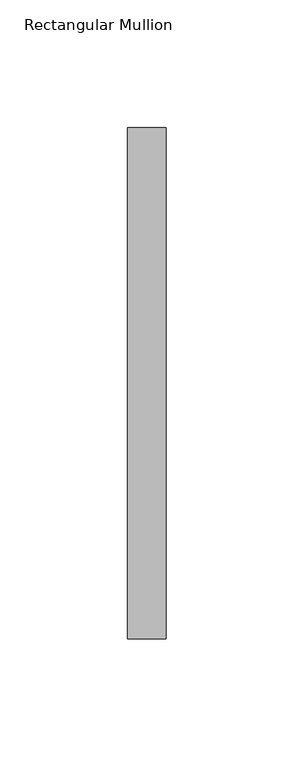
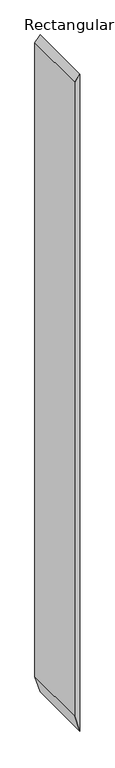
"""IFC4 building model written with IfcOpenShell, lengths in millimetres: member geometry, Rectangular Mullion."""

import ifcopenshell
import ifcopenshell.guid

model = None  # the IFC model being written
_history = None  # IfcOwnerHistory: only IFC2X3 demands one
_inside = {}  # id of a spatial element -> (the spatial element, [elements in it])
_under = {}  # id of a project, library or spatial element -> (it, [spatial elements below it])
_declared = {}  # id of a project -> (the project, [libraries it declares])
_typed = {}  # id of a type object -> (the type object, [elements of that type])
_made_of = {}  # id of a material, layer set ... -> (it, [elements and type objects made of it])


def new_model(schema):
    """Start an empty IFC model of exactly this schema.

    Asked for "IFC4X3", IfcOpenShell would pick the latest addendum, in which some entities
    have other attributes; the version numbers below select the first issue.
    IFC2X3 requires an IfcOwnerHistory on every rooted entity: one is made here for all.
    """
    global model, _history
    if schema == "IFC4X3":
        model = ifcopenshell.file(schema_version=(4, 3, 0, 0))
    else:
        model = ifcopenshell.file(schema=schema)
    _inside.clear()
    _under.clear()
    _declared.clear()
    _typed.clear()
    _made_of.clear()
    _history = None
    if model.schema == "IFC2X3":
        org = make("IfcOrganization", Name="unknown")
        user = make(
            "IfcPersonAndOrganization",
            ThePerson=make("IfcPerson", FamilyName="unknown"),
            TheOrganization=org,
        )
        app = make(
            "IfcApplication",
            ApplicationDeveloper=org,
            Version="unknown",
            ApplicationFullName="unknown",
            ApplicationIdentifier="unknown",
        )
        _history = make(
            "IfcOwnerHistory",
            OwningUser=user,
            OwningApplication=app,
            ChangeAction="ADDED",
            CreationDate=0,
        )
    return model


def make(cls, **values):
    """One entity of the class cls with the attributes given. An attribute that is None is left unset."""
    return model.create_entity(
        cls, **{name: value for name, value in values.items() if value is not None}
    )


def rooted(cls, **values):
    """An entity with a GlobalId (a new one), such as an element, a storey or a relation."""
    return make(cls, GlobalId=ifcopenshell.guid.new(), OwnerHistory=_history, **values)


def si_unit(unit_type, name, prefix=None):
    """IfcSIUnit, for example si_unit("LENGTHUNIT", "METRE", prefix="MILLI")."""
    return make("IfcSIUnit", UnitType=unit_type, Prefix=prefix, Name=name)


def assignment(units):
    """IfcUnitAssignment: the units of a project."""
    return None if units is None else make("IfcUnitAssignment", Units=units)


def point(xyz):
    """IfcCartesianPoint."""
    return None if xyz is None else make("IfcCartesianPoint", Coordinates=xyz)


def direction(xyz):
    """IfcDirection."""
    return None if xyz is None else make("IfcDirection", DirectionRatios=xyz)


def frame(location, z_axis=None, x_axis=None):
    """IfcAxis2Placement3D, a coordinate frame: its origin and axes. An axis left out is left unset."""
    return make(
        "IfcAxis2Placement3D",
        Location=point(location),
        Axis=direction(z_axis),
        RefDirection=direction(x_axis),
    )


def origin():
    """The frame at (0, 0, 0) with its axes left unset."""
    return frame((0.0, 0.0, 0.0))


def place(relative_to, where):
    """IfcLocalPlacement: puts the frame where relative to a parent placement (None: the world)."""
    return make(
        "IfcLocalPlacement", PlacementRelTo=relative_to, RelativePlacement=where
    )


def context(
    kind, dimensions, precision=None, world=None, true_north=None, identifier=None
):
    """IfcGeometricRepresentationContext, for example the 3D "Model" context."""
    return make(
        "IfcGeometricRepresentationContext",
        ContextIdentifier=identifier,
        ContextType=kind,
        CoordinateSpaceDimension=dimensions,
        Precision=precision,
        WorldCoordinateSystem=world,
        TrueNorth=true_north,
    )


def project(units=None, contexts=None):
    """IfcProject with its units and contexts."""
    return rooted(
        "IfcProject",
        Name="project",
        RepresentationContexts=contexts,
        UnitsInContext=assignment(units),
    )


def spatial(cls, under=None, at=None, **own):
    """A site, building, storey or space (cls), placed at a placement, below another one or the project."""
    s = rooted(cls, ObjectPlacement=at, **own)
    if under is not None:
        _under.setdefault(under.id(), (under, []))[1].append(s)
    return s


def polyline(points):
    """IfcPolyline through the points."""
    return make("IfcPolyline", Points=[point(p) for p in points])


def outline(outer, holes=None, kind="AREA"):
    """IfcArbitraryClosedProfileDef: a profile drawn as a closed curve; with holes, ...WithVoids."""
    if holes is None:
        return make("IfcArbitraryClosedProfileDef", ProfileType=kind, OuterCurve=outer)
    return make(
        "IfcArbitraryProfileDefWithVoids",
        ProfileType=kind,
        OuterCurve=outer,
        InnerCurves=holes,
    )


def extrude(swept, where, along, depth):
    """IfcExtrudedAreaSolid: the profile swept, set in the frame where, extruded along a direction by depth."""
    return make(
        "IfcExtrudedAreaSolid",
        SweptArea=swept,
        Position=where,
        ExtrudedDirection=direction(along),
        Depth=depth,
    )


def shape(context_of_items, identifier, shape_type, items):
    """IfcShapeRepresentation: the items that make up one representation, for example the "Body"."""
    return make(
        "IfcShapeRepresentation",
        ContextOfItems=context_of_items,
        RepresentationIdentifier=identifier,
        RepresentationType=shape_type,
        Items=items,
    )


def source(mapping_origin, context_of_items, identifier, shape_type, items):
    """IfcRepresentationMap: a shape defined once, which mapped items show again and again."""
    return make(
        "IfcRepresentationMap",
        MappingOrigin=mapping_origin,
        MappedRepresentation=shape(context_of_items, identifier, shape_type, items),
    )


def transform(
    local_origin,
    x_axis=None,
    y_axis=None,
    z_axis=None,
    scale=None,
    scale2=None,
    scale3=None,
    uniform=True,
):
    """IfcCartesianTransformationOperator3D, or its non-uniform kind. x_axis, y_axis, z_axis: its Axis1, 2, 3."""
    if uniform:
        return make(
            "IfcCartesianTransformationOperator3D",
            Axis1=direction(x_axis),
            Axis2=direction(y_axis),
            LocalOrigin=point(local_origin),
            Scale=scale,
            Axis3=direction(z_axis),
        )
    return make(
        "IfcCartesianTransformationOperator3DnonUniform",
        Axis1=direction(x_axis),
        Axis2=direction(y_axis),
        LocalOrigin=point(local_origin),
        Scale=scale,
        Axis3=direction(z_axis),
        Scale2=scale2,
        Scale3=scale3,
    )


def mapped(mapping_source, mapping_target):
    """IfcMappedItem: shows the shape of a source again, moved by a transform."""
    return make(
        "IfcMappedItem", MappingSource=mapping_source, MappingTarget=mapping_target
    )


def made_of(thing, what):
    """Note that an element or type object is made of a material, layer set ...; save() writes the relation."""
    if what is not None:
        _made_of.setdefault(what.id(), (what, []))[1].append(thing)
    return thing


def element(
    cls,
    number,
    at=None,
    inside=None,
    cuts=None,
    type_object=None,
    material=None,
    context=None,
    identifier="Body",
    shape_type=None,
    held_by="IfcProductDefinitionShape",
    body=None,
    shapes=None,
    **own,
):
    """One element of the class cls, such as IfcWall. Its Tag is "e" and its number.

    at: its placement. inside: the storey or other place that contains it. cuts: it is an
    opening in that element (IfcRelVoidsElement). A single representation is given by context,
    identifier, shape_type and body (its items); several are given by shapes. held_by: the class
    of the entity that holds the representations. save() writes the other relations.
    """
    e = rooted(cls, Tag="e%d" % number, ObjectPlacement=at, **own)
    if body is not None:
        shapes = [shape(context, identifier, shape_type, body)]
    if shapes is not None:
        e.Representation = make(held_by, Representations=shapes)
    if inside is not None:
        _inside.setdefault(inside.id(), (inside, []))[1].append(e)
    if cuts is not None:
        rooted(
            "IfcRelVoidsElement", RelatingBuildingElement=cuts, RelatedOpeningElement=e
        )
    if type_object is not None:
        _typed.setdefault(type_object.id(), (type_object, []))[1].append(e)
    return made_of(e, material)


def aggregate(whole, parts):
    """IfcRelAggregates: a whole, such as a stair, and the parts it consists of."""
    return rooted("IfcRelAggregates", RelatingObject=whole, RelatedObjects=parts)


def save(model, path):
    """Write the relations noted so far, then the file.

    IfcRelAggregates (storeys below a building ...), IfcRelContainedInSpatialStructure (elements
    in a storey), IfcRelDefinesByType, IfcRelAssociatesMaterial and IfcRelDeclares: one each for
    every whole, place, type object, material and project.
    """
    for whole, parts in _under.values():
        aggregate(whole, parts)
    for where, things in _inside.values():
        rooted(
            "IfcRelContainedInSpatialStructure",
            RelatedElements=things,
            RelatingStructure=where,
        )
    for kind, things in _typed.values():
        rooted("IfcRelDefinesByType", RelatedObjects=things, RelatingType=kind)
    for what, things in _made_of.values():
        rooted("IfcRelAssociatesMaterial", RelatedObjects=things, RelatingMaterial=what)
    for by, libraries in _declared.values():
        rooted("IfcRelDeclares", RelatingContext=by, RelatedDefinitions=libraries)
    model.write(path)


def rectangular_mullion_1f00b98b(model_context):
    return source(origin(), model_context, "Body", "SweptSolid", [
        extrude(outline(polyline([(0.0, 0.0), (-18.1058272, -15.0), (-1965.0664611, -15.0), (-2016.1128698, 0.0), (0.0, 0.0)])), frame((0.0, -253.0, 0.0), z_axis=(0.0, 1.0, 0.0), x_axis=(0.0, 0.0, 1.0)), (0.0, 0.0, 1.0), 200.0),
    ])


if __name__ == "__main__":
    model = new_model("IFC4")
    model_context = context("Model", 3, world=origin())
    ifc_project = project(units=[si_unit("LENGTHUNIT", "METRE", prefix="MILLI")], contexts=[model_context])
    site = spatial("IfcSite", under=ifc_project)
    building = spatial("IfcBuilding", under=site)
    placement = place(None, origin())
    rectangular_mullion_shape = rectangular_mullion_1f00b98b(model_context)
    element("IfcMember", 1, ObjectType="Rectangular Mullion", at=placement, inside=building, context=model_context, shape_type="MappedRepresentation", body=[
        mapped(rectangular_mullion_shape, transform((0.0, 0.0, 0.0), x_axis=(1.0, 0.0, 0.0), y_axis=(0.0, 1.0, 0.0), z_axis=(0.0, 0.0, 1.0))),
    ])
    save(model, "model.ifc")
